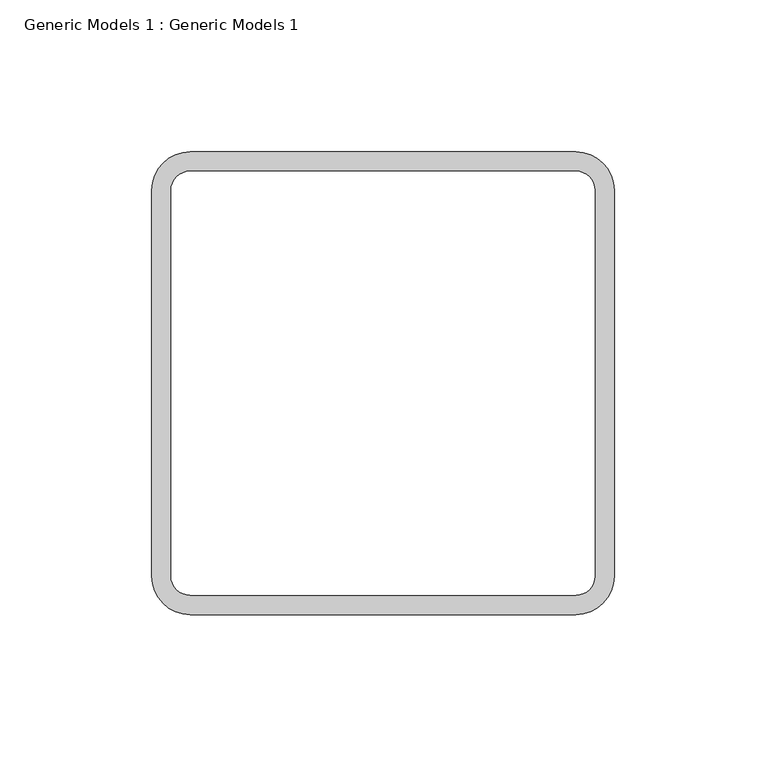
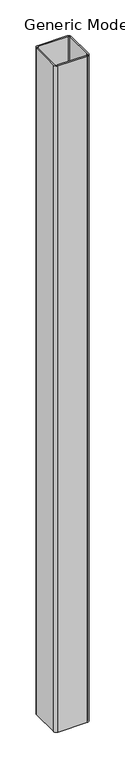
"""IFC4 building model written with IfcOpenShell, lengths in millimetres: proxy geometry, Generic Models 1 : Generic Models 1."""

from ifc_helpers import new_model, si_unit, point, frame_2d, origin, origin_with_axes, place, context, project, spatial, polyline, circle_curve, trimmed, segment, composite_curve, outline, extrude, source, transform, mapped, element, save


def generic_models_1_generic_models_1_03dc19af(model_context):
    return source(origin(), model_context, "Body", "SweptSolid", [
        extrude(outline(composite_curve([segment(trimmed(circle_curve(frame_2d((63.5, 63.5)), 12.7), [point((63.5, 76.2))], [point((76.2, 63.5))], False, "CARTESIAN"), True, "CONTINUOUS"), segment(polyline([(76.2, 63.5), (76.2, -63.5)]), True, "CONTINUOUS"), segment(trimmed(circle_curve(frame_2d((63.5, -63.5)), 12.7), [point((76.2, -63.5))], [point((63.5, -76.2))], False, "CARTESIAN"), True, "CONTINUOUS"), segment(polyline([(63.5, -76.2), (-63.5, -76.2)]), True, "CONTINUOUS"), segment(trimmed(circle_curve(frame_2d((-63.5, -63.5)), 12.7), [point((-63.5, -76.2))], [point((-76.2, -63.5))], False, "CARTESIAN"), True, "CONTINUOUS"), segment(polyline([(-76.2, -63.5), (-76.2, 63.5)]), True, "CONTINUOUS"), segment(trimmed(circle_curve(frame_2d((-63.5, 63.5)), 12.7), [point((-76.2, 63.5))], [point((-63.5, 76.2))], False, "CARTESIAN"), True, "CONTINUOUS"), segment(polyline([(-63.5, 76.2), (63.5, 76.2)]), True, "CONTINUOUS")], self_intersect=False), holes=[composite_curve([segment(polyline([(63.5, 69.85), (-63.5, 69.85)]), True, "CONTINUOUS"), segment(trimmed(circle_curve(frame_2d((-63.5, 63.5)), 6.35), [point((-63.5, 69.85))], [point((-69.85, 63.5))], True, "CARTESIAN"), True, "CONTINUOUS"), segment(polyline([(-69.85, 63.5), (-69.85, -63.5)]), True, "CONTINUOUS"), segment(trimmed(circle_curve(frame_2d((-63.5, -63.5)), 6.35), [point((-69.85, -63.5))], [point((-63.5, -69.85))], True, "CARTESIAN"), True, "CONTINUOUS"), segment(polyline([(-63.5, -69.85), (63.5, -69.85)]), True, "CONTINUOUS"), segment(trimmed(circle_curve(frame_2d((63.5, -63.5)), 6.35), [point((63.5, -69.85))], [point((69.85, -63.5))], True, "CARTESIAN"), True, "CONTINUOUS"), segment(polyline([(69.85, -63.5), (69.85, 63.5)]), True, "CONTINUOUS"), segment(trimmed(circle_curve(frame_2d((63.5, 63.5)), 6.35), [point((69.85, 63.5))], [point((63.5, 69.85))], True, "CARTESIAN"), True, "CONTINUOUS")], self_intersect=False)]), origin_with_axes(), (0.0, 0.0, 1.0), 3048.0),
    ])


if __name__ == "__main__":
    model = new_model("IFC4")
    model_context = context("Model", 3, world=origin())
    ifc_project = project(units=[si_unit("LENGTHUNIT", "METRE", prefix="MILLI")], contexts=[model_context])
    site = spatial("IfcSite", under=ifc_project)
    building = spatial("IfcBuilding", under=site)
    placement = place(None, origin())
    generic_models_1_generic_models_1_shape = generic_models_1_generic_models_1_03dc19af(model_context)
    element("IfcBuildingElementProxy", 1, Name="Generic Models 1 : Generic Models 1", ObjectType="Generic Models 1 : Generic Models 1", at=placement, inside=building, context=model_context, shape_type="MappedRepresentation", body=[
        mapped(generic_models_1_generic_models_1_shape, transform((0.0, 0.0, 0.0), x_axis=(1.0, 0.0, 0.0), y_axis=(0.0, 1.0, 0.0), z_axis=(0.0, 0.0, 1.0))),
    ])
    save(model, "model.ifc")
